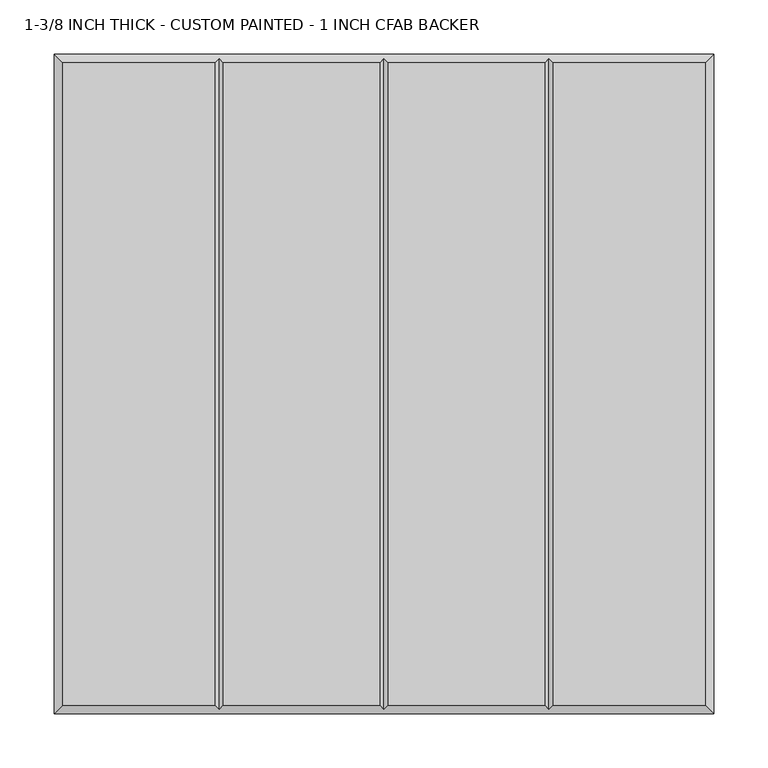
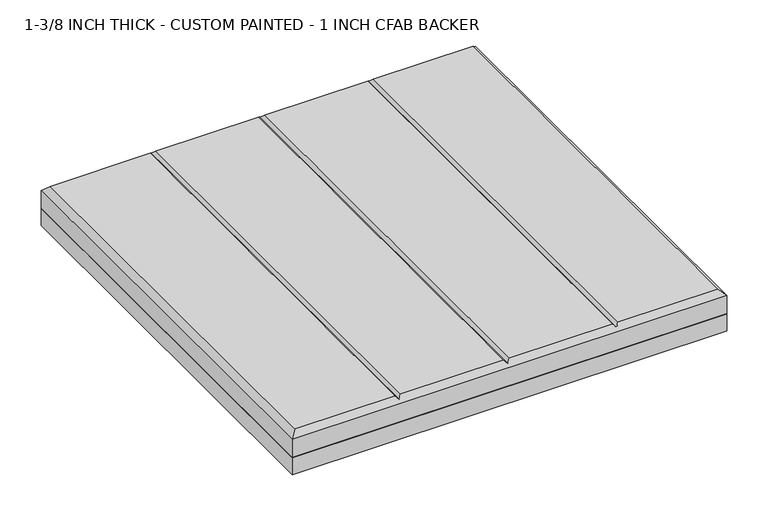
"""IFC4 building model written with IfcOpenShell, lengths in millimetres: proxy geometry, 1-3/8 INCH THICK - CUSTOM PAINTED - 1 INCH CFAB BACKER."""

from ifc_helpers import new_model, si_unit, frame, origin, place, context, project, spatial, polyline, outline, extrude, faceted_brep, source, transform, mapped, element, save


def proxy_1_3_8_inch_thick_custom_painted_1_inch_cfab_backer_923e9966(model_context):
    return source(origin(), model_context, "Body", "SolidModel", [
        extrude(outline(polyline([(-304.8, 304.8), (304.8, 304.8), (304.8, -304.8), (-304.8, -304.8), (-304.8, 304.8)])), frame((0.0, 0.0, -25.4), z_axis=(0.0, 0.0, 1.0), x_axis=(1.0, 0.0, 0.0)), (0.0, 0.0, 1.0), 25.4),
        faceted_brep([(-296.799, 296.799, 34.925), (-296.799, -296.799, 34.925), (-156.4009826, -296.799, 34.925), (-156.4009826, 296.799, 34.925), (296.799, -296.799, 34.925), (296.799, 296.799, 34.925), (156.4010334, 296.799, 34.925), (156.4010334, -296.799, 34.925), (-148.3999826, 296.799, 34.925), (-148.3999826, -296.799, 34.925), (-4.0004746, -296.799, 34.925), (-4.0004746, 296.799, 34.925), (4.0005254, 296.799, 34.925), (4.0005254, -296.799, 34.925), (148.4000334, -296.799, 34.925), (148.4000334, 296.799, 34.925), (-304.8, 304.8, 0.0), (304.8, 304.8, 0.0), (304.8, -304.8, 0.0), (-304.8, -304.8, 0.0), (-304.8, -304.8, 26.924), (-304.8, 304.8, 26.924), (304.8, -304.8, 26.924), (304.8, 304.8, 26.924), (-152.4004826, 300.7995, 30.9245), (2.54e-05, 300.7995, 30.9245), (152.4005334, 300.7995, 30.9245), (152.4005334, -300.7995, 30.9245), (2.54e-05, -300.7995, 30.9245), (-152.4004826, -300.7995, 30.9245)], [[[0, 1, 2, 3]], [[4, 5, 6, 7]], [[8, 9, 10, 11]], [[12, 13, 14, 15]], [[16, 17, 18, 19]], [[16, 19, 20, 21]], [[19, 18, 22, 20]], [[18, 17, 23, 22]], [[17, 16, 21, 23]], [[21, 0, 3, 24, 8, 11, 25, 12, 15, 26, 6, 5, 23]], [[0, 21, 20, 1]], [[1, 20, 22, 4, 7, 27, 14, 13, 28, 10, 9, 29, 2]], [[23, 5, 4, 22]], [[24, 29, 9, 8]], [[29, 24, 3, 2]], [[25, 28, 13, 12]], [[28, 25, 11, 10]], [[26, 27, 7, 6]], [[27, 26, 15, 14]]]),
    ])


if __name__ == "__main__":
    model = new_model("IFC4")
    model_context = context("Model", 3, world=origin())
    ifc_project = project(units=[si_unit("LENGTHUNIT", "METRE", prefix="MILLI")], contexts=[model_context])
    site = spatial("IfcSite", under=ifc_project)
    building = spatial("IfcBuilding", under=site)
    placement = place(None, origin())
    proxy_1_3_8_inch_thick_custom_painted_1_inch_cfab_backer_shape = proxy_1_3_8_inch_thick_custom_painted_1_inch_cfab_backer_923e9966(model_context)
    element("IfcBuildingElementProxy", 1, Name="1-3/8 INCH THICK - CUSTOM PAINTED - 1 INCH CFAB BACKER", ObjectType="1-3/8 INCH THICK - CUSTOM PAINTED - 1 INCH CFAB BACKER", at=placement, inside=building, context=model_context, shape_type="MappedRepresentation", body=[
        mapped(proxy_1_3_8_inch_thick_custom_painted_1_inch_cfab_backer_shape, transform((0.0, 0.0, 0.0), x_axis=(1.0, 0.0, 0.0), y_axis=(0.0, 1.0, 0.0), z_axis=(0.0, 0.0, 1.0))),
    ])
    save(model, "model.ifc")
